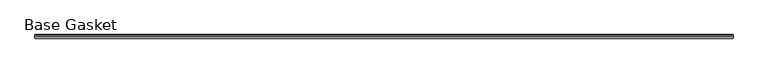
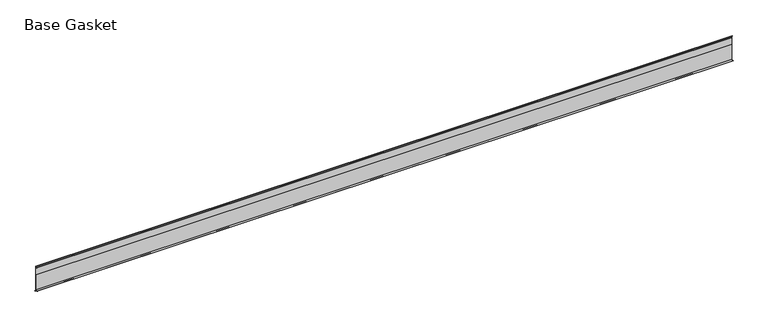
"""IFC4 building model written with IfcOpenShell, lengths in millimetres: furniture geometry, Base Gasket."""

from ifc_helpers import new_model, si_unit, frame, origin, place, context, project, spatial, polyline, outline, extrude, source, transform, mapped, element, save


def base_gasket_be6e9de9(model_context):
    return source(origin(), model_context, "Body", "SweptSolid", [
        extrude(outline(polyline([(3.7283812, 98.4568417), (3.7283812, 4.3498477), (7.4222115, 0.6560174), (7.8482342, 0.0), (6.8281054, 0.3520979), (2.2043812, 4.3498477), (2.1334222, 6.3818476), (-6.2405171, 6.3818476), (-6.2405171, 7.9398773), (2.2043812, 7.9398773), (2.2043812, 71.4693447), (1.4106313, 71.4693447), (1.4106313, 96.8693477), (2.2043812, 96.8693477), (2.2043812, 98.4568417), (0.6755308, 104.4162708), (0.6755308, 105.2002997), (1.1891543, 104.587663), (3.7283812, 98.4568417)])), frame((-1527.8982117, 0.0, 0.0), z_axis=(1.0, 0.0, 0.0), x_axis=(0.0, 1.0, 0.0)), (0.0, 0.0, 1.0), 2711.5277244),
    ])


if __name__ == "__main__":
    model = new_model("IFC4")
    model_context = context("Model", 3, world=origin())
    ifc_project = project(units=[si_unit("LENGTHUNIT", "METRE", prefix="MILLI")], contexts=[model_context])
    site = spatial("IfcSite", under=ifc_project)
    building = spatial("IfcBuilding", under=site)
    placement = place(None, origin())
    base_gasket_shape = base_gasket_be6e9de9(model_context)
    element("IfcFurniture", 1, ObjectType="Base Gasket", at=placement, inside=building, context=model_context, shape_type="MappedRepresentation", body=[
        mapped(base_gasket_shape, transform((0.0, 0.0, 0.0), x_axis=(1.0, 0.0, 0.0), y_axis=(0.0, 1.0, 0.0), z_axis=(0.0, 0.0, 1.0))),
    ])
    save(model, "model.ifc")
